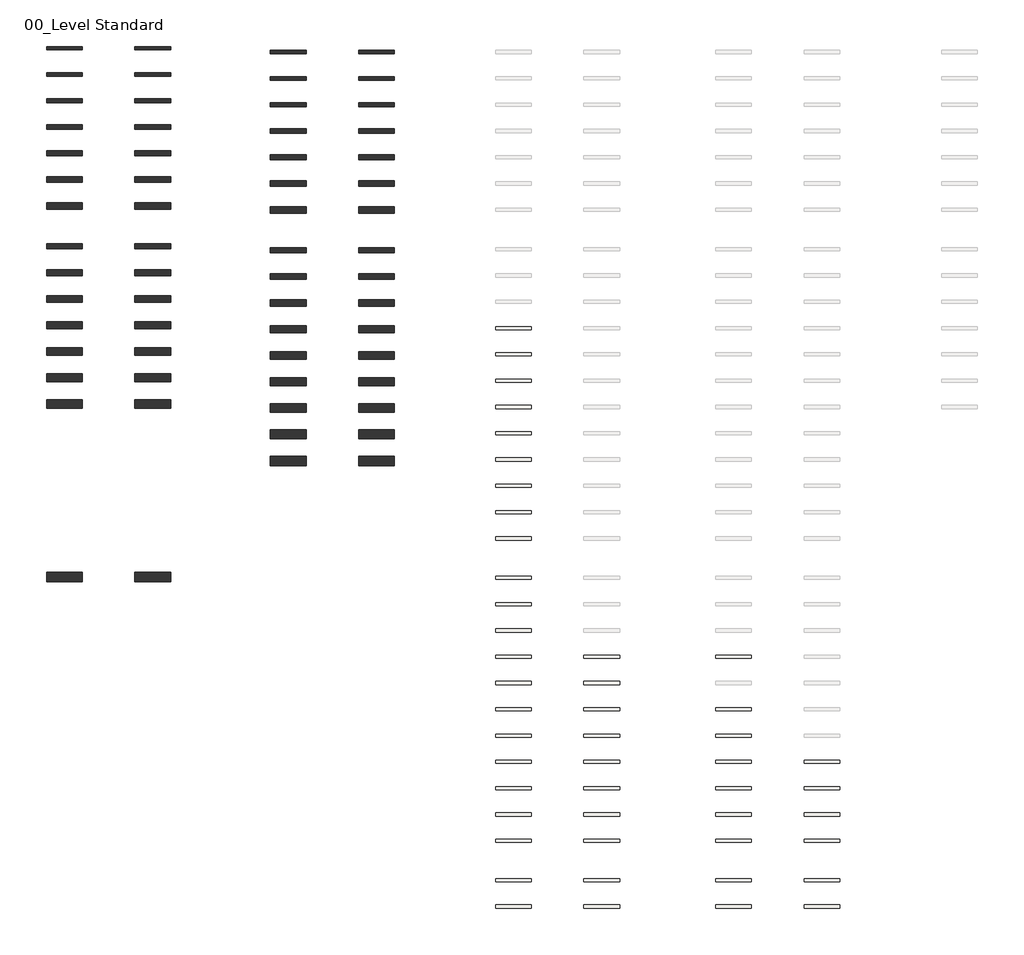
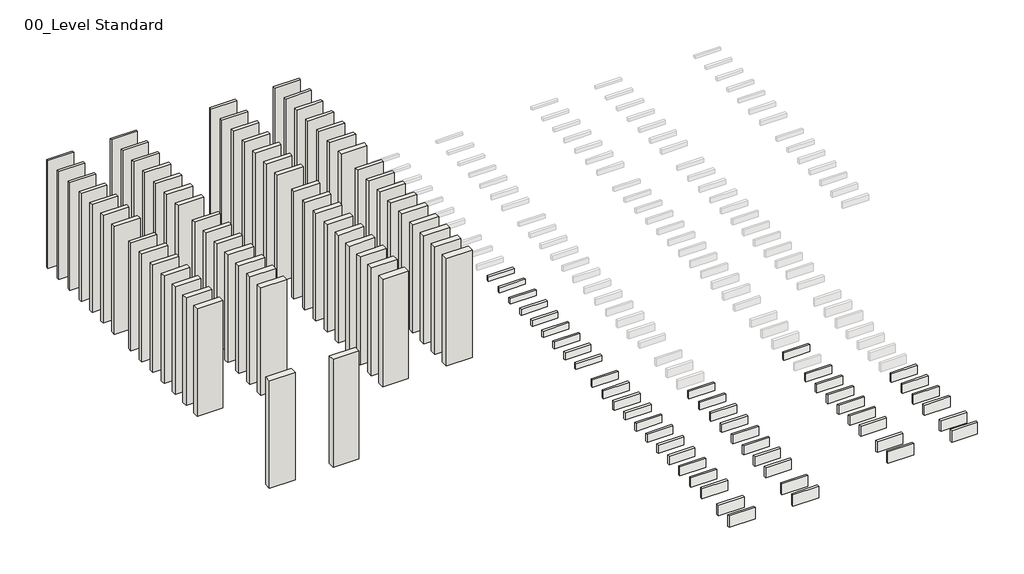
# One storey, part 1 of 2: 62 walls, 32 slabs, 15 roofs.
"""IFC4 building model written with IfcOpenShell, lengths in millimetres."""

from ifc_helpers import new_model, si_unit, frame, origin, origin_with_axes, place, context, project, spatial, polyline, outline, extrude, element, save

model = new_model("IFC4")

# Units and contexts
model_context = context("Model", 3, world=origin())
ifc_project = project(units=[si_unit("LENGTHUNIT", "METRE", prefix="MILLI")], contexts=[model_context])

# Site, building, storey
site = spatial("IfcSite", under=ifc_project)
building = spatial("IfcBuilding", under=site)
storey = spatial("IfcBuildingStorey", under=building, Name="00_Level Standard", Elevation=0.0)

# Roofs
placement = place(None, origin())
element("IfcRoof", 1, at=placement, inside=storey, context=model_context, shape_type="SweptSolid", body=[
    extrude(outline(polyline([(11196.5117268, 1746.5217326), (11876.5117268, 1746.5217326), (11876.5117268, 1686.5217326), (11196.5117268, 1686.5217326), (11196.5117268, 1746.5217326)])), origin_with_axes(), (0.0, 0.0, 1.0), 200.0),
])
element("IfcRoof", 2, at=placement, inside=storey, context=model_context, shape_type="SweptSolid", body=[
    extrude(outline(polyline([(11196.5117268, 746.5217326), (11876.5117268, 746.5217326), (11876.5117268, 686.5217326), (11196.5117268, 686.5217326), (11196.5117268, 746.5217326)])), origin_with_axes(), (0.0, 0.0, 1.0), 220.0),
])
element("IfcRoof", 3, at=placement, inside=storey, context=model_context, shape_type="SweptSolid", body=[
    extrude(outline(polyline([(11196.5117268, 246.5217326), (11876.5117268, 246.5217326), (11876.5117268, 186.5217326), (11196.5117268, 186.5217326), (11196.5117268, 246.5217326)])), origin_with_axes(), (0.0, 0.0, 1.0), 230.0),
])
element("IfcRoof", 4, at=placement, inside=storey, context=model_context, shape_type="SweptSolid", body=[
    extrude(outline(polyline([(11196.5117268, -253.4782674), (11876.5117268, -253.4782674), (11876.5117268, -313.4782674), (11196.5117268, -313.4782674), (11196.5117268, -253.4782674)])), origin_with_axes(), (0.0, 0.0, 1.0), 240.0),
])
element("IfcRoof", 5, at=placement, inside=storey, context=model_context, shape_type="SweptSolid", body=[
    extrude(outline(polyline([(11196.5117268, -753.4782674), (11876.5117268, -753.4782674), (11876.5117268, -813.4782674), (11196.5117268, -813.4782674), (11196.5117268, -753.4782674)])), origin_with_axes(), (0.0, 0.0, 1.0), 250.0),
])
element("IfcRoof", 6, at=placement, inside=storey, context=model_context, shape_type="SweptSolid", body=[
    extrude(outline(polyline([(11196.5117268, -1253.4782674), (11876.5117268, -1253.4782674), (11876.5117268, -1313.4782674), (11196.5117268, -1313.4782674), (11196.5117268, -1253.4782674)])), origin_with_axes(), (0.0, 0.0, 1.0), 260.0),
])
element("IfcRoof", 7, at=placement, inside=storey, context=model_context, shape_type="SweptSolid", body=[
    extrude(outline(polyline([(11196.5117268, -1753.4782674), (11876.5117268, -1753.4782674), (11876.5117268, -1813.4782674), (11196.5117268, -1813.4782674), (11196.5117268, -1753.4782674)])), origin_with_axes(), (0.0, 0.0, 1.0), 280.0),
])
element("IfcRoof", 8, at=placement, inside=storey, context=model_context, shape_type="SweptSolid", body=[
    extrude(outline(polyline([(11196.5117268, -2503.5028443), (11876.5117268, -2503.5028443), (11876.5117268, -2563.5028443), (11196.5117268, -2563.5028443), (11196.5117268, -2503.5028443)])), origin_with_axes(), (0.0, 0.0, 1.0), 300.0),
])
element("IfcRoof", 9, at=placement, inside=storey, context=model_context, shape_type="SweptSolid", body=[
    extrude(outline(polyline([(11196.5117268, -3003.5028443), (11876.5117268, -3003.5028443), (11876.5117268, -3063.5028443), (11196.5117268, -3063.5028443), (11196.5117268, -3003.5028443)])), origin_with_axes(), (0.0, 0.0, 1.0), 320.0),
])
element("IfcRoof", 10, at=placement, inside=storey, context=model_context, shape_type="SweptSolid", body=[
    extrude(outline(polyline([(12876.5117268, -253.4782674), (13556.5117268, -253.4782674), (13556.5117268, -313.4782674), (12876.5117268, -313.4782674), (12876.5117268, -253.4782674)])), origin_with_axes(), (0.0, 0.0, 1.0), 240.0),
])
element("IfcRoof", 11, at=placement, inside=storey, context=model_context, shape_type="SweptSolid", body=[
    extrude(outline(polyline([(12876.5117268, -753.4782674), (13556.5117268, -753.4782674), (13556.5117268, -813.4782674), (12876.5117268, -813.4782674), (12876.5117268, -753.4782674)])), origin_with_axes(), (0.0, 0.0, 1.0), 250.0),
])
element("IfcRoof", 12, at=placement, inside=storey, context=model_context, shape_type="SweptSolid", body=[
    extrude(outline(polyline([(12876.5117268, -1253.4782674), (13556.5117268, -1253.4782674), (13556.5117268, -1313.4782674), (12876.5117268, -1313.4782674), (12876.5117268, -1253.4782674)])), origin_with_axes(), (0.0, 0.0, 1.0), 260.0),
])
element("IfcRoof", 13, at=placement, inside=storey, context=model_context, shape_type="SweptSolid", body=[
    extrude(outline(polyline([(12876.5117268, -1753.4782674), (13556.5117268, -1753.4782674), (13556.5117268, -1813.4782674), (12876.5117268, -1813.4782674), (12876.5117268, -1753.4782674)])), origin_with_axes(), (0.0, 0.0, 1.0), 280.0),
])
element("IfcRoof", 14, at=placement, inside=storey, context=model_context, shape_type="SweptSolid", body=[
    extrude(outline(polyline([(12876.5117268, -2503.5028443), (13556.5117268, -2503.5028443), (13556.5117268, -2563.5028443), (12876.5117268, -2563.5028443), (12876.5117268, -2503.5028443)])), origin_with_axes(), (0.0, 0.0, 1.0), 300.0),
])
element("IfcRoof", 15, at=placement, inside=storey, context=model_context, shape_type="SweptSolid", body=[
    extrude(outline(polyline([(12876.5117268, -3003.5028443), (13556.5117268, -3003.5028443), (13556.5117268, -3063.5028443), (12876.5117268, -3063.5028443), (12876.5117268, -3003.5028443)])), origin_with_axes(), (0.0, 0.0, 1.0), 320.0),
])

# Slabs
element("IfcSlab", 16, at=placement, inside=storey, context=model_context, shape_type="SweptSolid", body=[
    extrude(outline(polyline([(7010.9873688, 7996.5463096), (7690.9873688, 7996.5463096), (7690.9873688, 7936.5463096), (7010.9873688, 7936.5463096), (7010.9873688, 7996.5463096)])), frame((0.0, 0.0, -130.0), z_axis=(0.0, 0.0, 1.0), x_axis=(1.0, 0.0, 0.0)), (0.0, 0.0, 1.0), 130.0),
])
element("IfcSlab", 17, at=placement, inside=storey, context=model_context, shape_type="SweptSolid", body=[
    extrude(outline(polyline([(7010.9873688, 7496.5463096), (7690.9873688, 7496.5463096), (7690.9873688, 7436.5463096), (7010.9873688, 7436.5463096), (7010.9873688, 7496.5463096)])), frame((0.0, 0.0, -140.0), z_axis=(0.0, 0.0, 1.0), x_axis=(1.0, 0.0, 0.0)), (0.0, 0.0, 1.0), 140.0),
])
element("IfcSlab", 18, at=placement, inside=storey, context=model_context, shape_type="SweptSolid", body=[
    extrude(outline(polyline([(7010.9873688, 6996.5463096), (7690.9873688, 6996.5463096), (7690.9873688, 6936.5463096), (7010.9873688, 6936.5463096), (7010.9873688, 6996.5463096)])), frame((0.0, 0.0, -150.0), z_axis=(0.0, 0.0, 1.0), x_axis=(1.0, 0.0, 0.0)), (0.0, 0.0, 1.0), 150.0),
])
element("IfcSlab", 19, at=placement, inside=storey, context=model_context, shape_type="SweptSolid", body=[
    extrude(outline(polyline([(7010.9873688, 6496.5463096), (7690.9873688, 6496.5463096), (7690.9873688, 6436.5463096), (7010.9873688, 6436.5463096), (7010.9873688, 6496.5463096)])), frame((0.0, 0.0, -160.0), z_axis=(0.0, 0.0, 1.0), x_axis=(1.0, 0.0, 0.0)), (0.0, 0.0, 1.0), 160.0),
])
element("IfcSlab", 20, at=placement, inside=storey, context=model_context, shape_type="SweptSolid", body=[
    extrude(outline(polyline([(7010.9873688, 5996.5463096), (7690.9873688, 5996.5463096), (7690.9873688, 5936.5463096), (7010.9873688, 5936.5463096), (7010.9873688, 5996.5463096)])), frame((0.0, 0.0, -170.0), z_axis=(0.0, 0.0, 1.0), x_axis=(1.0, 0.0, 0.0)), (0.0, 0.0, 1.0), 170.0),
])
element("IfcSlab", 21, at=placement, inside=storey, context=model_context, shape_type="SweptSolid", body=[
    extrude(outline(polyline([(7010.9873688, 5496.5463096), (7690.9873688, 5496.5463096), (7690.9873688, 5436.5463096), (7010.9873688, 5436.5463096), (7010.9873688, 5496.5463096)])), frame((0.0, 0.0, -180.0), z_axis=(0.0, 0.0, 1.0), x_axis=(1.0, 0.0, 0.0)), (0.0, 0.0, 1.0), 180.0),
])
element("IfcSlab", 22, at=placement, inside=storey, context=model_context, shape_type="SweptSolid", body=[
    extrude(outline(polyline([(7010.9873688, 4996.5463096), (7690.9873688, 4996.5463096), (7690.9873688, 4936.5463096), (7010.9873688, 4936.5463096), (7010.9873688, 4996.5463096)])), frame((0.0, 0.0, -190.0), z_axis=(0.0, 0.0, 1.0), x_axis=(1.0, 0.0, 0.0)), (0.0, 0.0, 1.0), 190.0),
])
element("IfcSlab", 23, at=placement, inside=storey, context=model_context, shape_type="SweptSolid", body=[
    extrude(outline(polyline([(7010.9873688, 4496.5463096), (7690.9873688, 4496.5463096), (7690.9873688, 4436.5463096), (7010.9873688, 4436.5463096), (7010.9873688, 4496.5463096)])), frame((0.0, 0.0, -200.0), z_axis=(0.0, 0.0, 1.0), x_axis=(1.0, 0.0, 0.0)), (0.0, 0.0, 1.0), 200.0),
])
element("IfcSlab", 24, at=placement, inside=storey, context=model_context, shape_type="SweptSolid", body=[
    extrude(outline(polyline([(7010.9873688, 3996.5463096), (7690.9873688, 3996.5463096), (7690.9873688, 3936.5463096), (7010.9873688, 3936.5463096), (7010.9873688, 3996.5463096)])), frame((0.0, 0.0, -160.0), z_axis=(0.0, 0.0, 1.0), x_axis=(1.0, 0.0, 0.0)), (0.0, 0.0, 1.0), 160.0),
])
element("IfcSlab", 25, at=placement, inside=storey, context=model_context, shape_type="SweptSolid", body=[
    extrude(outline(polyline([(7010.9873688, 3246.5217326), (7690.9873688, 3246.5217326), (7690.9873688, 3186.5217326), (7010.9873688, 3186.5217326), (7010.9873688, 3246.5217326)])), frame((0.0, 0.0, -200.0), z_axis=(0.0, 0.0, 1.0), x_axis=(1.0, 0.0, 0.0)), (0.0, 0.0, 1.0), 200.0),
])
element("IfcSlab", 26, at=placement, inside=storey, context=model_context, shape_type="SweptSolid", body=[
    extrude(outline(polyline([(7010.9873688, 2746.5217326), (7690.9873688, 2746.5217326), (7690.9873688, 2686.5217326), (7010.9873688, 2686.5217326), (7010.9873688, 2746.5217326)])), frame((0.0, 0.0, -220.0), z_axis=(0.0, 0.0, 1.0), x_axis=(1.0, 0.0, 0.0)), (0.0, 0.0, 1.0), 220.0),
])
element("IfcSlab", 27, at=placement, inside=storey, context=model_context, shape_type="SweptSolid", body=[
    extrude(outline(polyline([(7010.9873688, 2246.5217326), (7690.9873688, 2246.5217326), (7690.9873688, 2186.5217326), (7010.9873688, 2186.5217326), (7010.9873688, 2246.5217326)])), frame((0.0, 0.0, -240.0), z_axis=(0.0, 0.0, 1.0), x_axis=(1.0, 0.0, 0.0)), (0.0, 0.0, 1.0), 240.0),
])
element("IfcSlab", 28, at=placement, inside=storey, context=model_context, shape_type="SweptSolid", body=[
    extrude(outline(polyline([(7010.9873688, 1746.5217326), (7690.9873688, 1746.5217326), (7690.9873688, 1686.5217326), (7010.9873688, 1686.5217326), (7010.9873688, 1746.5217326)])), frame((0.0, 0.0, -200.0), z_axis=(0.0, 0.0, 1.0), x_axis=(1.0, 0.0, 0.0)), (0.0, 0.0, 1.0), 200.0),
])
element("IfcSlab", 29, at=placement, inside=storey, context=model_context, shape_type="SweptSolid", body=[
    extrude(outline(polyline([(7010.9873688, 1246.5217326), (7690.9873688, 1246.5217326), (7690.9873688, 1186.5217326), (7010.9873688, 1186.5217326), (7010.9873688, 1246.5217326)])), frame((0.0, 0.0, -210.0), z_axis=(0.0, 0.0, 1.0), x_axis=(1.0, 0.0, 0.0)), (0.0, 0.0, 1.0), 210.0),
])
element("IfcSlab", 30, at=placement, inside=storey, context=model_context, shape_type="SweptSolid", body=[
    extrude(outline(polyline([(7010.9873688, 746.5217326), (7690.9873688, 746.5217326), (7690.9873688, 686.5217326), (7010.9873688, 686.5217326), (7010.9873688, 746.5217326)])), frame((0.0, 0.0, -220.0), z_axis=(0.0, 0.0, 1.0), x_axis=(1.0, 0.0, 0.0)), (0.0, 0.0, 1.0), 220.0),
])
element("IfcSlab", 31, at=placement, inside=storey, context=model_context, shape_type="SweptSolid", body=[
    extrude(outline(polyline([(7010.9873688, 246.5217326), (7690.9873688, 246.5217326), (7690.9873688, 186.5217326), (7010.9873688, 186.5217326), (7010.9873688, 246.5217326)])), frame((0.0, 0.0, -230.0), z_axis=(0.0, 0.0, 1.0), x_axis=(1.0, 0.0, 0.0)), (0.0, 0.0, 1.0), 230.0),
])
element("IfcSlab", 32, at=placement, inside=storey, context=model_context, shape_type="SweptSolid", body=[
    extrude(outline(polyline([(7010.9873688, -253.4782674), (7690.9873688, -253.4782674), (7690.9873688, -313.4782674), (7010.9873688, -313.4782674), (7010.9873688, -253.4782674)])), frame((0.0, 0.0, -240.0), z_axis=(0.0, 0.0, 1.0), x_axis=(1.0, 0.0, 0.0)), (0.0, 0.0, 1.0), 240.0),
])
element("IfcSlab", 33, at=placement, inside=storey, context=model_context, shape_type="SweptSolid", body=[
    extrude(outline(polyline([(7010.9873688, -753.4782674), (7690.9873688, -753.4782674), (7690.9873688, -813.4782674), (7010.9873688, -813.4782674), (7010.9873688, -753.4782674)])), frame((0.0, 0.0, -250.0), z_axis=(0.0, 0.0, 1.0), x_axis=(1.0, 0.0, 0.0)), (0.0, 0.0, 1.0), 250.0),
])
element("IfcSlab", 34, at=placement, inside=storey, context=model_context, shape_type="SweptSolid", body=[
    extrude(outline(polyline([(7010.9873688, -1253.4782674), (7690.9873688, -1253.4782674), (7690.9873688, -1313.4782674), (7010.9873688, -1313.4782674), (7010.9873688, -1253.4782674)])), frame((0.0, 0.0, -260.0), z_axis=(0.0, 0.0, 1.0), x_axis=(1.0, 0.0, 0.0)), (0.0, 0.0, 1.0), 260.0),
])
element("IfcSlab", 35, at=placement, inside=storey, context=model_context, shape_type="SweptSolid", body=[
    extrude(outline(polyline([(7010.9873688, -1753.4782674), (7690.9873688, -1753.4782674), (7690.9873688, -1813.4782674), (7010.9873688, -1813.4782674), (7010.9873688, -1753.4782674)])), frame((0.0, 0.0, -280.0), z_axis=(0.0, 0.0, 1.0), x_axis=(1.0, 0.0, 0.0)), (0.0, 0.0, 1.0), 280.0),
])
element("IfcSlab", 36, at=placement, inside=storey, context=model_context, shape_type="SweptSolid", body=[
    extrude(outline(polyline([(7010.9873688, -2503.5028443), (7690.9873688, -2503.5028443), (7690.9873688, -2563.5028443), (7010.9873688, -2563.5028443), (7010.9873688, -2503.5028443)])), frame((0.0, 0.0, -300.0), z_axis=(0.0, 0.0, 1.0), x_axis=(1.0, 0.0, 0.0)), (0.0, 0.0, 1.0), 300.0),
])
element("IfcSlab", 37, at=placement, inside=storey, context=model_context, shape_type="SweptSolid", body=[
    extrude(outline(polyline([(7010.9873688, -3003.5028443), (7690.9873688, -3003.5028443), (7690.9873688, -3063.5028443), (7010.9873688, -3063.5028443), (7010.9873688, -3003.5028443)])), frame((0.0, 0.0, -320.0), z_axis=(0.0, 0.0, 1.0), x_axis=(1.0, 0.0, 0.0)), (0.0, 0.0, 1.0), 320.0),
])
element("IfcSlab", 38, at=placement, inside=storey, context=model_context, shape_type="SweptSolid", body=[
    extrude(outline(polyline([(8690.9873688, 1746.5217326), (9370.9873688, 1746.5217326), (9370.9873688, 1686.5217326), (8690.9873688, 1686.5217326), (8690.9873688, 1746.5217326)])), frame((0.0, 0.0, -200.0), z_axis=(0.0, 0.0, 1.0), x_axis=(1.0, 0.0, 0.0)), (0.0, 0.0, 1.0), 200.0),
])
element("IfcSlab", 39, at=placement, inside=storey, context=model_context, shape_type="SweptSolid", body=[
    extrude(outline(polyline([(8690.9873688, 1246.5217326), (9370.9873688, 1246.5217326), (9370.9873688, 1186.5217326), (8690.9873688, 1186.5217326), (8690.9873688, 1246.5217326)])), frame((0.0, 0.0, -210.0), z_axis=(0.0, 0.0, 1.0), x_axis=(1.0, 0.0, 0.0)), (0.0, 0.0, 1.0), 210.0),
])
element("IfcSlab", 40, at=placement, inside=storey, context=model_context, shape_type="SweptSolid", body=[
    extrude(outline(polyline([(8690.9873688, 746.5217326), (9370.9873688, 746.5217326), (9370.9873688, 686.5217326), (8690.9873688, 686.5217326), (8690.9873688, 746.5217326)])), frame((0.0, 0.0, -220.0), z_axis=(0.0, 0.0, 1.0), x_axis=(1.0, 0.0, 0.0)), (0.0, 0.0, 1.0), 220.0),
])
element("IfcSlab", 41, at=placement, inside=storey, context=model_context, shape_type="SweptSolid", body=[
    extrude(outline(polyline([(8690.9873688, 246.5217326), (9370.9873688, 246.5217326), (9370.9873688, 186.5217326), (8690.9873688, 186.5217326), (8690.9873688, 246.5217326)])), frame((0.0, 0.0, -230.0), z_axis=(0.0, 0.0, 1.0), x_axis=(1.0, 0.0, 0.0)), (0.0, 0.0, 1.0), 230.0),
])
element("IfcSlab", 42, at=placement, inside=storey, context=model_context, shape_type="SweptSolid", body=[
    extrude(outline(polyline([(8690.9873688, -253.4782674), (9370.9873688, -253.4782674), (9370.9873688, -313.4782674), (8690.9873688, -313.4782674), (8690.9873688, -253.4782674)])), frame((0.0, 0.0, -240.0), z_axis=(0.0, 0.0, 1.0), x_axis=(1.0, 0.0, 0.0)), (0.0, 0.0, 1.0), 240.0),
])
element("IfcSlab", 43, at=placement, inside=storey, context=model_context, shape_type="SweptSolid", body=[
    extrude(outline(polyline([(8690.9873688, -753.4782674), (9370.9873688, -753.4782674), (9370.9873688, -813.4782674), (8690.9873688, -813.4782674), (8690.9873688, -753.4782674)])), frame((0.0, 0.0, -250.0), z_axis=(0.0, 0.0, 1.0), x_axis=(1.0, 0.0, 0.0)), (0.0, 0.0, 1.0), 250.0),
])
element("IfcSlab", 44, at=placement, inside=storey, context=model_context, shape_type="SweptSolid", body=[
    extrude(outline(polyline([(8690.9873688, -1253.4782674), (9370.9873688, -1253.4782674), (9370.9873688, -1313.4782674), (8690.9873688, -1313.4782674), (8690.9873688, -1253.4782674)])), frame((0.0, 0.0, -260.0), z_axis=(0.0, 0.0, 1.0), x_axis=(1.0, 0.0, 0.0)), (0.0, 0.0, 1.0), 260.0),
])
element("IfcSlab", 45, at=placement, inside=storey, context=model_context, shape_type="SweptSolid", body=[
    extrude(outline(polyline([(8690.9873688, -1753.4782674), (9370.9873688, -1753.4782674), (9370.9873688, -1813.4782674), (8690.9873688, -1813.4782674), (8690.9873688, -1753.4782674)])), frame((0.0, 0.0, -280.0), z_axis=(0.0, 0.0, 1.0), x_axis=(1.0, 0.0, 0.0)), (0.0, 0.0, 1.0), 280.0),
])
element("IfcSlab", 46, at=placement, inside=storey, context=model_context, shape_type="SweptSolid", body=[
    extrude(outline(polyline([(8690.9873688, -2503.5028443), (9370.9873688, -2503.5028443), (9370.9873688, -2563.5028443), (8690.9873688, -2563.5028443), (8690.9873688, -2503.5028443)])), frame((0.0, 0.0, -300.0), z_axis=(0.0, 0.0, 1.0), x_axis=(1.0, 0.0, 0.0)), (0.0, 0.0, 1.0), 300.0),
])
element("IfcSlab", 47, at=placement, inside=storey, context=model_context, shape_type="SweptSolid", body=[
    extrude(outline(polyline([(8690.9873688, -3003.5028443), (9370.9873688, -3003.5028443), (9370.9873688, -3063.5028443), (8690.9873688, -3063.5028443), (8690.9873688, -3003.5028443)])), frame((0.0, 0.0, -320.0), z_axis=(0.0, 0.0, 1.0), x_axis=(1.0, 0.0, 0.0)), (0.0, 0.0, 1.0), 320.0),
])

# Walls
element("IfcWall", 48, at=placement, inside=storey, context=model_context, shape_type="SweptSolid", body=[
    extrude(outline(polyline([(-850.1575367, 13261.5708866), (-1530.1575367, 13261.5708866), (-1530.1575367, 13321.5708866), (-850.1575367, 13321.5708866), (-850.1575367, 13261.5708866)])), origin_with_axes(), (0.0, 0.0, 1.0), 3000.0),
])
element("IfcWall", 49, at=placement, inside=storey, context=model_context, shape_type="SweptSolid", body=[
    extrude(outline(polyline([(-850.1575367, 12756.5708866), (-1530.1575367, 12756.5708866), (-1530.1575367, 12826.5708866), (-850.1575367, 12826.5708866), (-850.1575367, 12756.5708866)])), origin_with_axes(), (0.0, 0.0, 1.0), 3000.0),
])
element("IfcWall", 50, at=placement, inside=storey, context=model_context, shape_type="SweptSolid", body=[
    extrude(outline(polyline([(-850.1575367, 12251.5708866), (-1530.1575367, 12251.5708866), (-1530.1575367, 12331.5708866), (-850.1575367, 12331.5708866), (-850.1575367, 12251.5708866)])), origin_with_axes(), (0.0, 0.0, 1.0), 3000.0),
])
element("IfcWall", 51, at=placement, inside=storey, context=model_context, shape_type="SweptSolid", body=[
    extrude(outline(polyline([(-850.1575367, 11746.5708866), (-1530.1575367, 11746.5708866), (-1530.1575367, 11836.5708866), (-850.1575367, 11836.5708866), (-850.1575367, 11746.5708866)])), origin_with_axes(), (0.0, 0.0, 1.0), 3000.0),
])
element("IfcWall", 52, at=placement, inside=storey, context=model_context, shape_type="SweptSolid", body=[
    extrude(outline(polyline([(-850.1575367, 11241.5708866), (-1530.1575367, 11241.5708866), (-1530.1575367, 11341.5708866), (-850.1575367, 11341.5708866), (-850.1575367, 11241.5708866)])), origin_with_axes(), (0.0, 0.0, 1.0), 3000.0),
])
element("IfcWall", 53, at=placement, inside=storey, context=model_context, shape_type="SweptSolid", body=[
    extrude(outline(polyline([(-850.1575367, 10736.5708866), (-1530.1575367, 10736.5708866), (-1530.1575367, 10846.5708866), (-850.1575367, 10846.5708866), (-850.1575367, 10736.5708866)])), origin_with_axes(), (0.0, 0.0, 1.0), 3000.0),
])
element("IfcWall", 54, at=placement, inside=storey, context=model_context, shape_type="SweptSolid", body=[
    extrude(outline(polyline([(-850.1575367, 9471.5463096), (-1530.1575367, 9471.5463096), (-1530.1575367, 9571.5463096), (-850.1575367, 9571.5463096), (-850.1575367, 9471.5463096)])), origin_with_axes(), (0.0, 0.0, 1.0), 3000.0),
])
element("IfcWall", 55, at=placement, inside=storey, context=model_context, shape_type="SweptSolid", body=[
    extrude(outline(polyline([(-850.1575367, 8966.5463096), (-1530.1575367, 8966.5463096), (-1530.1575367, 9076.5463096), (-850.1575367, 9076.5463096), (-850.1575367, 8966.5463096)])), origin_with_axes(), (0.0, 0.0, 1.0), 3000.0),
])
element("IfcWall", 56, at=placement, inside=storey, context=model_context, shape_type="SweptSolid", body=[
    extrude(outline(polyline([(-850.1575367, 8461.5463096), (-1530.1575367, 8461.5463096), (-1530.1575367, 8581.5463096), (-850.1575367, 8581.5463096), (-850.1575367, 8461.5463096)])), origin_with_axes(), (0.0, 0.0, 1.0), 3000.0),
])
element("IfcWall", 57, at=placement, inside=storey, context=model_context, shape_type="SweptSolid", body=[
    extrude(outline(polyline([(-850.1575367, 7956.5463096), (-1530.1575367, 7956.5463096), (-1530.1575367, 8086.5463096), (-850.1575367, 8086.5463096), (-850.1575367, 7956.5463096)])), origin_with_axes(), (0.0, 0.0, 1.0), 3000.0),
])
element("IfcWall", 58, at=placement, inside=storey, context=model_context, shape_type="SweptSolid", body=[
    extrude(outline(polyline([(-850.1575367, 7451.5463096), (-1530.1575367, 7451.5463096), (-1530.1575367, 7591.5463096), (-850.1575367, 7591.5463096), (-850.1575367, 7451.5463096)])), origin_with_axes(), (0.0, 0.0, 1.0), 3000.0),
])
element("IfcWall", 59, at=placement, inside=storey, context=model_context, shape_type="SweptSolid", body=[
    extrude(outline(polyline([(-850.1575367, 6946.5463096), (-1530.1575367, 6946.5463096), (-1530.1575367, 7096.5463096), (-850.1575367, 7096.5463096), (-850.1575367, 6946.5463096)])), origin_with_axes(), (0.0, 0.0, 1.0), 3000.0),
])
element("IfcWall", 60, at=placement, inside=storey, context=model_context, shape_type="SweptSolid", body=[
    extrude(outline(polyline([(-850.1575367, 6441.5463096), (-1530.1575367, 6441.5463096), (-1530.1575367, 6601.5463096), (-850.1575367, 6601.5463096), (-850.1575367, 6441.5463096)])), origin_with_axes(), (0.0, 0.0, 1.0), 3000.0),
])
element("IfcWall", 61, at=placement, inside=storey, context=model_context, shape_type="SweptSolid", body=[
    extrude(outline(polyline([(-850.1575367, 3141.5217326), (-1530.1575367, 3141.5217326), (-1530.1575367, 3321.5217326), (-850.1575367, 3321.5217326), (-850.1575367, 3141.5217326)])), origin_with_axes(), (0.0, 0.0, 1.0), 3000.0),
])
element("IfcWall", 62, at=placement, inside=storey, context=model_context, shape_type="SweptSolid", body=[
    extrude(outline(polyline([(-850.1575367, 10226.5708866), (-1530.1575367, 10226.5708866), (-1530.1575367, 10346.5708866), (-850.1575367, 10346.5708866), (-850.1575367, 10226.5708866)])), origin_with_axes(), (0.0, 0.0, 1.0), 3000.0),
])
element("IfcWall", 63, at=placement, inside=storey, context=model_context, shape_type="SweptSolid", body=[
    extrude(outline(polyline([(3405.4630107, 13186.5708866), (2725.4630107, 13186.5708866), (2725.4630107, 13246.5708866), (3405.4630107, 13246.5708866), (3405.4630107, 13186.5708866)])), origin_with_axes(), (0.0, 0.0, 1.0), 3000.0),
])
element("IfcWall", 64, at=placement, inside=storey, context=model_context, shape_type="SweptSolid", body=[
    extrude(outline(polyline([(3405.4630107, 12681.5708866), (2725.4630107, 12681.5708866), (2725.4630107, 12751.5708866), (3405.4630107, 12751.5708866), (3405.4630107, 12681.5708866)])), origin_with_axes(), (0.0, 0.0, 1.0), 3000.0),
])
element("IfcWall", 65, at=placement, inside=storey, context=model_context, shape_type="SweptSolid", body=[
    extrude(outline(polyline([(3405.4630107, 12176.5708866), (2725.4630107, 12176.5708866), (2725.4630107, 12256.5708866), (3405.4630107, 12256.5708866), (3405.4630107, 12176.5708866)])), origin_with_axes(), (0.0, 0.0, 1.0), 3000.0),
])
element("IfcWall", 66, at=placement, inside=storey, context=model_context, shape_type="SweptSolid", body=[
    extrude(outline(polyline([(3405.4630107, 11671.5708866), (2725.4630107, 11671.5708866), (2725.4630107, 11761.5708866), (3405.4630107, 11761.5708866), (3405.4630107, 11671.5708866)])), origin_with_axes(), (0.0, 0.0, 1.0), 3000.0),
])
element("IfcWall", 67, at=placement, inside=storey, context=model_context, shape_type="SweptSolid", body=[
    extrude(outline(polyline([(3405.4630107, 11166.5708866), (2725.4630107, 11166.5708866), (2725.4630107, 11266.5708866), (3405.4630107, 11266.5708866), (3405.4630107, 11166.5708866)])), origin_with_axes(), (0.0, 0.0, 1.0), 3000.0),
])
element("IfcWall", 68, at=placement, inside=storey, context=model_context, shape_type="SweptSolid", body=[
    extrude(outline(polyline([(3405.4630107, 10661.5708866), (2725.4630107, 10661.5708866), (2725.4630107, 10771.5708866), (3405.4630107, 10771.5708866), (3405.4630107, 10661.5708866)])), origin_with_axes(), (0.0, 0.0, 1.0), 3000.0),
])
element("IfcWall", 69, at=placement, inside=storey, context=model_context, shape_type="SweptSolid", body=[
    extrude(outline(polyline([(3405.4630107, 9396.5463096), (2725.4630107, 9396.5463096), (2725.4630107, 9496.5463096), (3405.4630107, 9496.5463096), (3405.4630107, 9396.5463096)])), origin_with_axes(), (0.0, 0.0, 1.0), 3000.0),
])
element("IfcWall", 70, at=placement, inside=storey, context=model_context, shape_type="SweptSolid", body=[
    extrude(outline(polyline([(3405.4630107, 8891.5463096), (2725.4630107, 8891.5463096), (2725.4630107, 9001.5463096), (3405.4630107, 9001.5463096), (3405.4630107, 8891.5463096)])), origin_with_axes(), (0.0, 0.0, 1.0), 3000.0),
])
element("IfcWall", 71, at=placement, inside=storey, context=model_context, shape_type="SweptSolid", body=[
    extrude(outline(polyline([(3405.4630107, 8386.5463096), (2725.4630107, 8386.5463096), (2725.4630107, 8506.5463096), (3405.4630107, 8506.5463096), (3405.4630107, 8386.5463096)])), origin_with_axes(), (0.0, 0.0, 1.0), 3000.0),
])
element("IfcWall", 72, at=placement, inside=storey, context=model_context, shape_type="SweptSolid", body=[
    extrude(outline(polyline([(3405.4630107, 7881.5463096), (2725.4630107, 7881.5463096), (2725.4630107, 8011.5463096), (3405.4630107, 8011.5463096), (3405.4630107, 7881.5463096)])), origin_with_axes(), (0.0, 0.0, 1.0), 3000.0),
])
element("IfcWall", 73, at=placement, inside=storey, context=model_context, shape_type="SweptSolid", body=[
    extrude(outline(polyline([(3405.4630107, 7376.5463096), (2725.4630107, 7376.5463096), (2725.4630107, 7516.5463096), (3405.4630107, 7516.5463096), (3405.4630107, 7376.5463096)])), origin_with_axes(), (0.0, 0.0, 1.0), 3000.0),
])
element("IfcWall", 74, at=placement, inside=storey, context=model_context, shape_type="SweptSolid", body=[
    extrude(outline(polyline([(3405.4630107, 6871.5463096), (2725.4630107, 6871.5463096), (2725.4630107, 7021.5463096), (3405.4630107, 7021.5463096), (3405.4630107, 6871.5463096)])), origin_with_axes(), (0.0, 0.0, 1.0), 3000.0),
])
element("IfcWall", 75, at=placement, inside=storey, context=model_context, shape_type="SweptSolid", body=[
    extrude(outline(polyline([(3405.4630107, 6366.5463096), (2725.4630107, 6366.5463096), (2725.4630107, 6526.5463096), (3405.4630107, 6526.5463096), (3405.4630107, 6366.5463096)])), origin_with_axes(), (0.0, 0.0, 1.0), 3000.0),
])
element("IfcWall", 76, at=placement, inside=storey, context=model_context, shape_type="SweptSolid", body=[
    extrude(outline(polyline([(3405.4630107, 5861.5463096), (2725.4630107, 5861.5463096), (2725.4630107, 6031.5463096), (3405.4630107, 6031.5463096), (3405.4630107, 5861.5463096)])), origin_with_axes(), (0.0, 0.0, 1.0), 3000.0),
])
element("IfcWall", 77, at=placement, inside=storey, context=model_context, shape_type="SweptSolid", body=[
    extrude(outline(polyline([(3405.4630107, 10151.5708866), (2725.4630107, 10151.5708866), (2725.4630107, 10271.5708866), (3405.4630107, 10271.5708866), (3405.4630107, 10151.5708866)])), origin_with_axes(), (0.0, 0.0, 1.0), 3000.0),
])
element("IfcWall", 78, at=placement, inside=storey, context=model_context, shape_type="SweptSolid", body=[
    extrude(outline(polyline([(3405.4630107, 5346.5463096), (2725.4630107, 5346.5463096), (2725.4630107, 5526.5463096), (3405.4630107, 5526.5463096), (3405.4630107, 5346.5463096)])), origin_with_axes(), (0.0, 0.0, 1.0), 3000.0),
])
element("IfcWall", 79, at=placement, inside=storey, context=model_context, shape_type="SweptSolid", body=[
    extrude(outline(polyline([(829.8424633, 13261.5708866), (149.8424633, 13261.5708866), (149.8424633, 13321.5708866), (829.8424633, 13321.5708866), (829.8424633, 13261.5708866)])), origin_with_axes(), (0.0, 0.0, 1.0), 3000.0),
])
element("IfcWall", 80, at=placement, inside=storey, context=model_context, shape_type="SweptSolid", body=[
    extrude(outline(polyline([(829.8424633, 12756.5708866), (149.8424633, 12756.5708866), (149.8424633, 12826.5708866), (829.8424633, 12826.5708866), (829.8424633, 12756.5708866)])), origin_with_axes(), (0.0, 0.0, 1.0), 3000.0),
])
element("IfcWall", 81, at=placement, inside=storey, context=model_context, shape_type="SweptSolid", body=[
    extrude(outline(polyline([(829.8424633, 12251.5708866), (149.8424633, 12251.5708866), (149.8424633, 12331.5708866), (829.8424633, 12331.5708866), (829.8424633, 12251.5708866)])), origin_with_axes(), (0.0, 0.0, 1.0), 3000.0),
])
element("IfcWall", 82, at=placement, inside=storey, context=model_context, shape_type="SweptSolid", body=[
    extrude(outline(polyline([(829.8424633, 11746.5708866), (149.8424633, 11746.5708866), (149.8424633, 11836.5708866), (829.8424633, 11836.5708866), (829.8424633, 11746.5708866)])), origin_with_axes(), (0.0, 0.0, 1.0), 3000.0),
])
element("IfcWall", 83, at=placement, inside=storey, context=model_context, shape_type="SweptSolid", body=[
    extrude(outline(polyline([(829.8424633, 11241.5708866), (149.8424633, 11241.5708866), (149.8424633, 11341.5708866), (829.8424633, 11341.5708866), (829.8424633, 11241.5708866)])), origin_with_axes(), (0.0, 0.0, 1.0), 3000.0),
])
element("IfcWall", 84, at=placement, inside=storey, context=model_context, shape_type="SweptSolid", body=[
    extrude(outline(polyline([(829.8424633, 10736.5708866), (149.8424633, 10736.5708866), (149.8424633, 10846.5708866), (829.8424633, 10846.5708866), (829.8424633, 10736.5708866)])), origin_with_axes(), (0.0, 0.0, 1.0), 3000.0),
])
element("IfcWall", 85, at=placement, inside=storey, context=model_context, shape_type="SweptSolid", body=[
    extrude(outline(polyline([(829.8424633, 9471.5463096), (149.8424633, 9471.5463096), (149.8424633, 9571.5463096), (829.8424633, 9571.5463096), (829.8424633, 9471.5463096)])), origin_with_axes(), (0.0, 0.0, 1.0), 3000.0),
])
element("IfcWall", 86, at=placement, inside=storey, context=model_context, shape_type="SweptSolid", body=[
    extrude(outline(polyline([(829.8424633, 8966.5463096), (149.8424633, 8966.5463096), (149.8424633, 9076.5463096), (829.8424633, 9076.5463096), (829.8424633, 8966.5463096)])), origin_with_axes(), (0.0, 0.0, 1.0), 3000.0),
])
element("IfcWall", 87, at=placement, inside=storey, context=model_context, shape_type="SweptSolid", body=[
    extrude(outline(polyline([(829.8424633, 8461.5463096), (149.8424633, 8461.5463096), (149.8424633, 8581.5463096), (829.8424633, 8581.5463096), (829.8424633, 8461.5463096)])), origin_with_axes(), (0.0, 0.0, 1.0), 3000.0),
])
element("IfcWall", 88, at=placement, inside=storey, context=model_context, shape_type="SweptSolid", body=[
    extrude(outline(polyline([(829.8424633, 7956.5463096), (149.8424633, 7956.5463096), (149.8424633, 8086.5463096), (829.8424633, 8086.5463096), (829.8424633, 7956.5463096)])), origin_with_axes(), (0.0, 0.0, 1.0), 3000.0),
])
element("IfcWall", 89, at=placement, inside=storey, context=model_context, shape_type="SweptSolid", body=[
    extrude(outline(polyline([(829.8424633, 7451.5463096), (149.8424633, 7451.5463096), (149.8424633, 7591.5463096), (829.8424633, 7591.5463096), (829.8424633, 7451.5463096)])), origin_with_axes(), (0.0, 0.0, 1.0), 3000.0),
])
element("IfcWall", 90, at=placement, inside=storey, context=model_context, shape_type="SweptSolid", body=[
    extrude(outline(polyline([(829.8424633, 6946.5463096), (149.8424633, 6946.5463096), (149.8424633, 7096.5463096), (829.8424633, 7096.5463096), (829.8424633, 6946.5463096)])), origin_with_axes(), (0.0, 0.0, 1.0), 3000.0),
])
element("IfcWall", 91, at=placement, inside=storey, context=model_context, shape_type="SweptSolid", body=[
    extrude(outline(polyline([(829.8424633, 6441.5463096), (149.8424633, 6441.5463096), (149.8424633, 6601.5463096), (829.8424633, 6601.5463096), (829.8424633, 6441.5463096)])), origin_with_axes(), (0.0, 0.0, 1.0), 3000.0),
])
element("IfcWall", 92, at=placement, inside=storey, context=model_context, shape_type="SweptSolid", body=[
    extrude(outline(polyline([(829.8424633, 3141.5217326), (149.8424633, 3141.5217326), (149.8424633, 3321.5217326), (829.8424633, 3321.5217326), (829.8424633, 3141.5217326)])), origin_with_axes(), (0.0, 0.0, 1.0), 3000.0),
])
element("IfcWall", 93, at=placement, inside=storey, context=model_context, shape_type="SweptSolid", body=[
    extrude(outline(polyline([(829.8424633, 10226.5708866), (149.8424633, 10226.5708866), (149.8424633, 10346.5708866), (829.8424633, 10346.5708866), (829.8424633, 10226.5708866)])), origin_with_axes(), (0.0, 0.0, 1.0), 3000.0),
])
element("IfcWall", 94, at=placement, inside=storey, context=model_context, shape_type="SweptSolid", body=[
    extrude(outline(polyline([(5085.4630107, 13186.5708866), (4405.4630107, 13186.5708866), (4405.4630107, 13246.5708866), (5085.4630107, 13246.5708866), (5085.4630107, 13186.5708866)])), origin_with_axes(), (0.0, 0.0, 1.0), 3000.0),
])
element("IfcWall", 95, at=placement, inside=storey, context=model_context, shape_type="SweptSolid", body=[
    extrude(outline(polyline([(5085.4630107, 12681.5708866), (4405.4630107, 12681.5708866), (4405.4630107, 12751.5708866), (5085.4630107, 12751.5708866), (5085.4630107, 12681.5708866)])), origin_with_axes(), (0.0, 0.0, 1.0), 3000.0),
])
element("IfcWall", 96, at=placement, inside=storey, context=model_context, shape_type="SweptSolid", body=[
    extrude(outline(polyline([(5085.4630107, 12176.5708866), (4405.4630107, 12176.5708866), (4405.4630107, 12256.5708866), (5085.4630107, 12256.5708866), (5085.4630107, 12176.5708866)])), origin_with_axes(), (0.0, 0.0, 1.0), 3000.0),
])
element("IfcWall", 97, at=placement, inside=storey, context=model_context, shape_type="SweptSolid", body=[
    extrude(outline(polyline([(5085.4630107, 11671.5708866), (4405.4630107, 11671.5708866), (4405.4630107, 11761.5708866), (5085.4630107, 11761.5708866), (5085.4630107, 11671.5708866)])), origin_with_axes(), (0.0, 0.0, 1.0), 3000.0),
])
element("IfcWall", 98, at=placement, inside=storey, context=model_context, shape_type="SweptSolid", body=[
    extrude(outline(polyline([(5085.4630107, 11166.5708866), (4405.4630107, 11166.5708866), (4405.4630107, 11266.5708866), (5085.4630107, 11266.5708866), (5085.4630107, 11166.5708866)])), origin_with_axes(), (0.0, 0.0, 1.0), 3000.0),
])
element("IfcWall", 99, at=placement, inside=storey, context=model_context, shape_type="SweptSolid", body=[
    extrude(outline(polyline([(5085.4630107, 10661.5708866), (4405.4630107, 10661.5708866), (4405.4630107, 10771.5708866), (5085.4630107, 10771.5708866), (5085.4630107, 10661.5708866)])), origin_with_axes(), (0.0, 0.0, 1.0), 3000.0),
])
element("IfcWall", 100, at=placement, inside=storey, context=model_context, shape_type="SweptSolid", body=[
    extrude(outline(polyline([(5085.4630107, 9396.5463096), (4405.4630107, 9396.5463096), (4405.4630107, 9496.5463096), (5085.4630107, 9496.5463096), (5085.4630107, 9396.5463096)])), origin_with_axes(), (0.0, 0.0, 1.0), 3000.0),
])
element("IfcWall", 101, at=placement, inside=storey, context=model_context, shape_type="SweptSolid", body=[
    extrude(outline(polyline([(5085.4630107, 8891.5463096), (4405.4630107, 8891.5463096), (4405.4630107, 9001.5463096), (5085.4630107, 9001.5463096), (5085.4630107, 8891.5463096)])), origin_with_axes(), (0.0, 0.0, 1.0), 3000.0),
])
element("IfcWall", 102, at=placement, inside=storey, context=model_context, shape_type="SweptSolid", body=[
    extrude(outline(polyline([(5085.4630107, 8386.5463096), (4405.4630107, 8386.5463096), (4405.4630107, 8506.5463096), (5085.4630107, 8506.5463096), (5085.4630107, 8386.5463096)])), origin_with_axes(), (0.0, 0.0, 1.0), 3000.0),
])
element("IfcWall", 103, at=placement, inside=storey, context=model_context, shape_type="SweptSolid", body=[
    extrude(outline(polyline([(5085.4630107, 7881.5463096), (4405.4630107, 7881.5463096), (4405.4630107, 8011.5463096), (5085.4630107, 8011.5463096), (5085.4630107, 7881.5463096)])), origin_with_axes(), (0.0, 0.0, 1.0), 3000.0),
])
element("IfcWall", 104, at=placement, inside=storey, context=model_context, shape_type="SweptSolid", body=[
    extrude(outline(polyline([(5085.4630107, 7376.5463096), (4405.4630107, 7376.5463096), (4405.4630107, 7516.5463096), (5085.4630107, 7516.5463096), (5085.4630107, 7376.5463096)])), origin_with_axes(), (0.0, 0.0, 1.0), 3000.0),
])
element("IfcWall", 105, at=placement, inside=storey, context=model_context, shape_type="SweptSolid", body=[
    extrude(outline(polyline([(5085.4630107, 6871.5463096), (4405.4630107, 6871.5463096), (4405.4630107, 7021.5463096), (5085.4630107, 7021.5463096), (5085.4630107, 6871.5463096)])), origin_with_axes(), (0.0, 0.0, 1.0), 3000.0),
])
element("IfcWall", 106, at=placement, inside=storey, context=model_context, shape_type="SweptSolid", body=[
    extrude(outline(polyline([(5085.4630107, 6366.5463096), (4405.4630107, 6366.5463096), (4405.4630107, 6526.5463096), (5085.4630107, 6526.5463096), (5085.4630107, 6366.5463096)])), origin_with_axes(), (0.0, 0.0, 1.0), 3000.0),
])
element("IfcWall", 107, at=placement, inside=storey, context=model_context, shape_type="SweptSolid", body=[
    extrude(outline(polyline([(5085.4630107, 5861.5463096), (4405.4630107, 5861.5463096), (4405.4630107, 6031.5463096), (5085.4630107, 6031.5463096), (5085.4630107, 5861.5463096)])), origin_with_axes(), (0.0, 0.0, 1.0), 3000.0),
])
element("IfcWall", 108, at=placement, inside=storey, context=model_context, shape_type="SweptSolid", body=[
    extrude(outline(polyline([(5085.4630107, 10151.5708866), (4405.4630107, 10151.5708866), (4405.4630107, 10271.5708866), (5085.4630107, 10271.5708866), (5085.4630107, 10151.5708866)])), origin_with_axes(), (0.0, 0.0, 1.0), 3000.0),
])
element("IfcWall", 109, at=placement, inside=storey, context=model_context, shape_type="SweptSolid", body=[
    extrude(outline(polyline([(5085.4630107, 5346.5463096), (4405.4630107, 5346.5463096), (4405.4630107, 5526.5463096), (5085.4630107, 5526.5463096), (5085.4630107, 5346.5463096)])), origin_with_axes(), (0.0, 0.0, 1.0), 3000.0),
])

save(model, "model.ifc")
